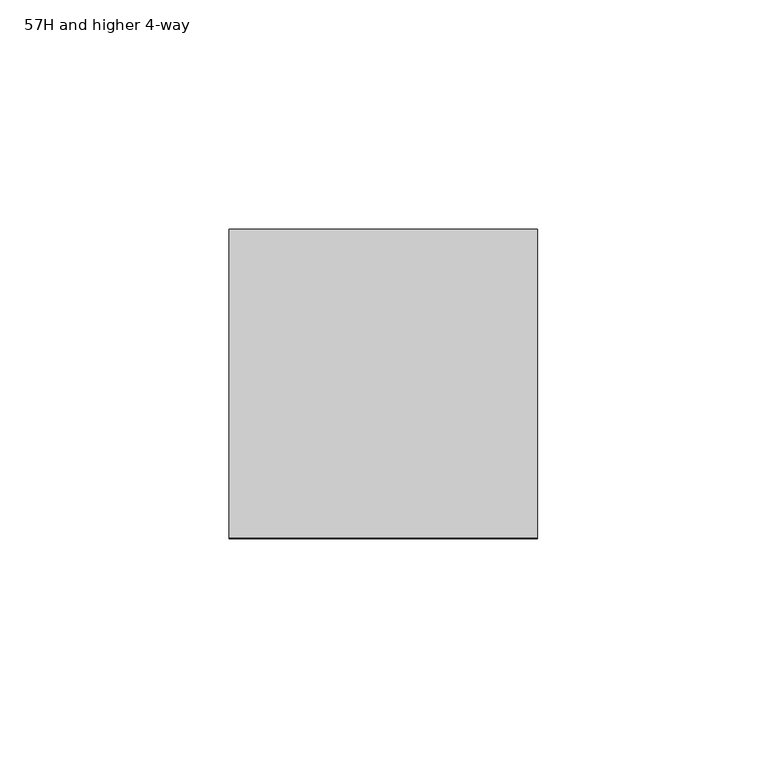
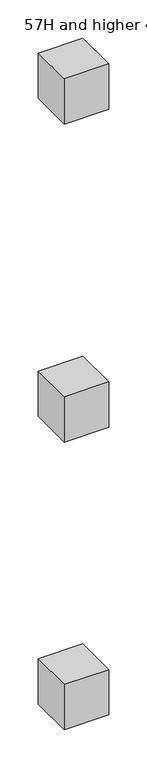
"""IFC4 building model written with IfcOpenShell, lengths in millimetres: furniture geometry, 57H and higher 4-way."""

import ifcopenshell
import ifcopenshell.guid

model = None  # the IFC model being written
_history = None  # IfcOwnerHistory: only IFC2X3 demands one
_inside = {}  # id of a spatial element -> (the spatial element, [elements in it])
_under = {}  # id of a project, library or spatial element -> (it, [spatial elements below it])
_declared = {}  # id of a project -> (the project, [libraries it declares])
_typed = {}  # id of a type object -> (the type object, [elements of that type])
_made_of = {}  # id of a material, layer set ... -> (it, [elements and type objects made of it])


def new_model(schema):
    """Start an empty IFC model of exactly this schema.

    Asked for "IFC4X3", IfcOpenShell would pick the latest addendum, in which some entities
    have other attributes; the version numbers below select the first issue.
    IFC2X3 requires an IfcOwnerHistory on every rooted entity: one is made here for all.
    """
    global model, _history
    if schema == "IFC4X3":
        model = ifcopenshell.file(schema_version=(4, 3, 0, 0))
    else:
        model = ifcopenshell.file(schema=schema)
    _inside.clear()
    _under.clear()
    _declared.clear()
    _typed.clear()
    _made_of.clear()
    _history = None
    if model.schema == "IFC2X3":
        org = make("IfcOrganization", Name="unknown")
        user = make(
            "IfcPersonAndOrganization",
            ThePerson=make("IfcPerson", FamilyName="unknown"),
            TheOrganization=org,
        )
        app = make(
            "IfcApplication",
            ApplicationDeveloper=org,
            Version="unknown",
            ApplicationFullName="unknown",
            ApplicationIdentifier="unknown",
        )
        _history = make(
            "IfcOwnerHistory",
            OwningUser=user,
            OwningApplication=app,
            ChangeAction="ADDED",
            CreationDate=0,
        )
    return model


def make(cls, **values):
    """One entity of the class cls with the attributes given. An attribute that is None is left unset."""
    return model.create_entity(
        cls, **{name: value for name, value in values.items() if value is not None}
    )


def rooted(cls, **values):
    """An entity with a GlobalId (a new one), such as an element, a storey or a relation."""
    return make(cls, GlobalId=ifcopenshell.guid.new(), OwnerHistory=_history, **values)


def si_unit(unit_type, name, prefix=None):
    """IfcSIUnit, for example si_unit("LENGTHUNIT", "METRE", prefix="MILLI")."""
    return make("IfcSIUnit", UnitType=unit_type, Prefix=prefix, Name=name)


def assignment(units):
    """IfcUnitAssignment: the units of a project."""
    return None if units is None else make("IfcUnitAssignment", Units=units)


def point(xyz):
    """IfcCartesianPoint."""
    return None if xyz is None else make("IfcCartesianPoint", Coordinates=xyz)


def direction(xyz):
    """IfcDirection."""
    return None if xyz is None else make("IfcDirection", DirectionRatios=xyz)


def frame(location, z_axis=None, x_axis=None):
    """IfcAxis2Placement3D, a coordinate frame: its origin and axes. An axis left out is left unset."""
    return make(
        "IfcAxis2Placement3D",
        Location=point(location),
        Axis=direction(z_axis),
        RefDirection=direction(x_axis),
    )


def origin():
    """The frame at (0, 0, 0) with its axes left unset."""
    return frame((0.0, 0.0, 0.0))


def place(relative_to, where):
    """IfcLocalPlacement: puts the frame where relative to a parent placement (None: the world)."""
    return make(
        "IfcLocalPlacement", PlacementRelTo=relative_to, RelativePlacement=where
    )


def context(
    kind, dimensions, precision=None, world=None, true_north=None, identifier=None
):
    """IfcGeometricRepresentationContext, for example the 3D "Model" context."""
    return make(
        "IfcGeometricRepresentationContext",
        ContextIdentifier=identifier,
        ContextType=kind,
        CoordinateSpaceDimension=dimensions,
        Precision=precision,
        WorldCoordinateSystem=world,
        TrueNorth=true_north,
    )


def project(units=None, contexts=None):
    """IfcProject with its units and contexts."""
    return rooted(
        "IfcProject",
        Name="project",
        RepresentationContexts=contexts,
        UnitsInContext=assignment(units),
    )


def spatial(cls, under=None, at=None, **own):
    """A site, building, storey or space (cls), placed at a placement, below another one or the project."""
    s = rooted(cls, ObjectPlacement=at, **own)
    if under is not None:
        _under.setdefault(under.id(), (under, []))[1].append(s)
    return s


def polyline(points):
    """IfcPolyline through the points."""
    return make("IfcPolyline", Points=[point(p) for p in points])


def outline(outer, holes=None, kind="AREA"):
    """IfcArbitraryClosedProfileDef: a profile drawn as a closed curve; with holes, ...WithVoids."""
    if holes is None:
        return make("IfcArbitraryClosedProfileDef", ProfileType=kind, OuterCurve=outer)
    return make(
        "IfcArbitraryProfileDefWithVoids",
        ProfileType=kind,
        OuterCurve=outer,
        InnerCurves=holes,
    )


def extrude(swept, where, along, depth):
    """IfcExtrudedAreaSolid: the profile swept, set in the frame where, extruded along a direction by depth."""
    return make(
        "IfcExtrudedAreaSolid",
        SweptArea=swept,
        Position=where,
        ExtrudedDirection=direction(along),
        Depth=depth,
    )


def shape(context_of_items, identifier, shape_type, items):
    """IfcShapeRepresentation: the items that make up one representation, for example the "Body"."""
    return make(
        "IfcShapeRepresentation",
        ContextOfItems=context_of_items,
        RepresentationIdentifier=identifier,
        RepresentationType=shape_type,
        Items=items,
    )


def source(mapping_origin, context_of_items, identifier, shape_type, items):
    """IfcRepresentationMap: a shape defined once, which mapped items show again and again."""
    return make(
        "IfcRepresentationMap",
        MappingOrigin=mapping_origin,
        MappedRepresentation=shape(context_of_items, identifier, shape_type, items),
    )


def transform(
    local_origin,
    x_axis=None,
    y_axis=None,
    z_axis=None,
    scale=None,
    scale2=None,
    scale3=None,
    uniform=True,
):
    """IfcCartesianTransformationOperator3D, or its non-uniform kind. x_axis, y_axis, z_axis: its Axis1, 2, 3."""
    if uniform:
        return make(
            "IfcCartesianTransformationOperator3D",
            Axis1=direction(x_axis),
            Axis2=direction(y_axis),
            LocalOrigin=point(local_origin),
            Scale=scale,
            Axis3=direction(z_axis),
        )
    return make(
        "IfcCartesianTransformationOperator3DnonUniform",
        Axis1=direction(x_axis),
        Axis2=direction(y_axis),
        LocalOrigin=point(local_origin),
        Scale=scale,
        Axis3=direction(z_axis),
        Scale2=scale2,
        Scale3=scale3,
    )


def mapped(mapping_source, mapping_target):
    """IfcMappedItem: shows the shape of a source again, moved by a transform."""
    return make(
        "IfcMappedItem", MappingSource=mapping_source, MappingTarget=mapping_target
    )


def made_of(thing, what):
    """Note that an element or type object is made of a material, layer set ...; save() writes the relation."""
    if what is not None:
        _made_of.setdefault(what.id(), (what, []))[1].append(thing)
    return thing


def element(
    cls,
    number,
    at=None,
    inside=None,
    cuts=None,
    type_object=None,
    material=None,
    context=None,
    identifier="Body",
    shape_type=None,
    held_by="IfcProductDefinitionShape",
    body=None,
    shapes=None,
    **own,
):
    """One element of the class cls, such as IfcWall. Its Tag is "e" and its number.

    at: its placement. inside: the storey or other place that contains it. cuts: it is an
    opening in that element (IfcRelVoidsElement). A single representation is given by context,
    identifier, shape_type and body (its items); several are given by shapes. held_by: the class
    of the entity that holds the representations. save() writes the other relations.
    """
    e = rooted(cls, Tag="e%d" % number, ObjectPlacement=at, **own)
    if body is not None:
        shapes = [shape(context, identifier, shape_type, body)]
    if shapes is not None:
        e.Representation = make(held_by, Representations=shapes)
    if inside is not None:
        _inside.setdefault(inside.id(), (inside, []))[1].append(e)
    if cuts is not None:
        rooted(
            "IfcRelVoidsElement", RelatingBuildingElement=cuts, RelatedOpeningElement=e
        )
    if type_object is not None:
        _typed.setdefault(type_object.id(), (type_object, []))[1].append(e)
    return made_of(e, material)


def aggregate(whole, parts):
    """IfcRelAggregates: a whole, such as a stair, and the parts it consists of."""
    return rooted("IfcRelAggregates", RelatingObject=whole, RelatedObjects=parts)


def save(model, path):
    """Write the relations noted so far, then the file.

    IfcRelAggregates (storeys below a building ...), IfcRelContainedInSpatialStructure (elements
    in a storey), IfcRelDefinesByType, IfcRelAssociatesMaterial and IfcRelDeclares: one each for
    every whole, place, type object, material and project.
    """
    for whole, parts in _under.values():
        aggregate(whole, parts)
    for where, things in _inside.values():
        rooted(
            "IfcRelContainedInSpatialStructure",
            RelatedElements=things,
            RelatingStructure=where,
        )
    for kind, things in _typed.values():
        rooted("IfcRelDefinesByType", RelatedObjects=things, RelatingType=kind)
    for what, things in _made_of.values():
        rooted("IfcRelAssociatesMaterial", RelatedObjects=things, RelatingMaterial=what)
    for by, libraries in _declared.values():
        rooted("IfcRelDeclares", RelatingContext=by, RelatedDefinitions=libraries)
    model.write(path)


def furniture_57h_and_higher_4_way_76a83ec6(model_context):
    return source(origin(), model_context, "Body", "SweptSolid", [
        extrude(outline(polyline([(33.6311875, -33.6311875), (-33.6311875, -33.6311875), (-33.6311875, 33.6311875), (33.6311875, 33.6311875), (33.6311875, -33.6311875)])), frame((0.0, 0.0, 1158.2201563), z_axis=(0.0, 0.0, 1.0), x_axis=(1.0, 0.0, 0.0)), (0.0, 0.0, 1.0), 72.39),
        extrude(outline(polyline([(33.6311875, -33.6311875), (-33.6311875, -33.6311875), (-33.6311875, 33.6311875), (33.6311875, 33.6311875), (33.6311875, -33.6311875)])), frame((0.0, 0.0, 651.5100145), z_axis=(0.0, 0.0, 1.0), x_axis=(1.0, 0.0, 0.0)), (0.0, 0.0, 1.0), 72.3899855),
        extrude(outline(polyline([(33.6311875, 33.6311875), (33.6311875, -33.6311875), (-33.6311875, -33.6311875), (-33.6311875, 33.6311875), (33.6311875, 33.6311875)])), frame((0.0, 0.0, 193.0399976), z_axis=(0.0, 0.0, 1.0), x_axis=(1.0, 0.0, 0.0)), (0.0, 0.0, 1.0), 72.39),
    ])


if __name__ == "__main__":
    model = new_model("IFC4")
    model_context = context("Model", 3, world=origin())
    ifc_project = project(units=[si_unit("LENGTHUNIT", "METRE", prefix="MILLI")], contexts=[model_context])
    site = spatial("IfcSite", under=ifc_project)
    building = spatial("IfcBuilding", under=site)
    placement = place(None, origin())
    furniture_57h_and_higher_4_way_shape = furniture_57h_and_higher_4_way_76a83ec6(model_context)
    element("IfcFurniture", 1, ObjectType="57H and higher 4-way", at=placement, inside=building, context=model_context, shape_type="MappedRepresentation", body=[
        mapped(furniture_57h_and_higher_4_way_shape, transform((0.0, 0.0, 0.0), x_axis=(1.0, 0.0, 0.0), y_axis=(0.0, 1.0, 0.0), z_axis=(0.0, 0.0, 1.0))),
    ])
    save(model, "model.ifc")
